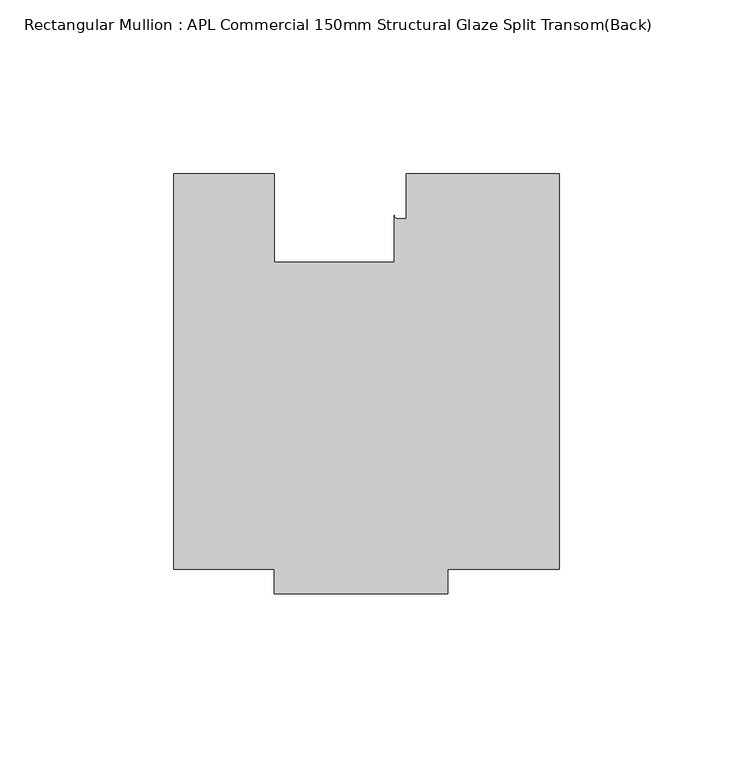
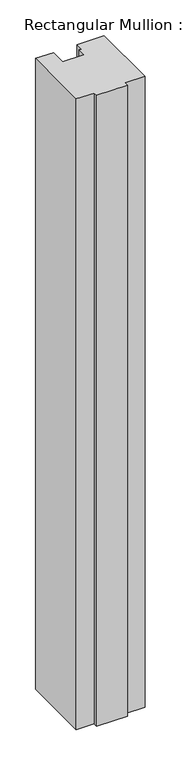
"""IFC4 building model written with IfcOpenShell, lengths in millimetres: member geometry, Rectangular Mullion : APL Commercial 150mm Structural Glaze Split Transom(Back)."""

from ifc_helpers import new_model, si_unit, point, frame, frame_2d, origin, place, context, project, spatial, polyline, circle_curve, trimmed, segment, composite_curve, outline, extrude, source, transform, mapped, element, save


def rectangular_mullion_apl_commercial_150mm_structural_glaze_c048a8e7(model_context):
    return source(origin(), model_context, "Body", "SweptSolid", [
        extrude(outline(composite_curve([segment(polyline([(54.0000029, -15.0004617), (54.0000029, -129.0003326), (22.0028846, -129.0003326), (22.0028846, -136.0003326), (-27.9971154, -136.0003326), (-27.9971154, -129.0002765), (-57.0000004, -129.0002765), (-57.0000004, -15.0001793), (-28.0000482, -15.0001793), (-28.0000482, -40.499932), (6.5000029, -40.499932), (6.5000029, -27.0002131)]), True, "CONTINUOUS"), segment(trimmed(circle_curve(frame_2d((7.5000029, -27.0002131)), 1.0), [point((6.5000029, -27.0002131))], [point((7.5000029, -28.0002131))], True, "CARTESIAN"), True, "CONTINUOUS"), segment(polyline([(7.5000029, -28.0002131), (10.0000029, -28.0002131), (10.0000029, -15.0004617), (54.0000029, -15.0004617)]), True, "CONTINUOUS")], self_intersect=False)), frame((0.0, 0.0, -1077.6385615), z_axis=(0.0, 0.0, 1.0), x_axis=(1.0, 0.0, 0.0)), (0.0, 0.0, 1.0), 1077.6385615),
    ])


if __name__ == "__main__":
    model = new_model("IFC4")
    model_context = context("Model", 3, world=origin())
    ifc_project = project(units=[si_unit("LENGTHUNIT", "METRE", prefix="MILLI")], contexts=[model_context])
    site = spatial("IfcSite", under=ifc_project)
    building = spatial("IfcBuilding", under=site)
    placement = place(None, origin())
    rectangular_mullion_apl_commercial_150mm_structural_glaze_shape = rectangular_mullion_apl_commercial_150mm_structural_glaze_c048a8e7(model_context)
    element("IfcMember", 1, ObjectType="Rectangular Mullion : APL Commercial 150mm Structural Glaze Split Transom(Back)", at=placement, inside=building, context=model_context, shape_type="MappedRepresentation", body=[
        mapped(rectangular_mullion_apl_commercial_150mm_structural_glaze_shape, transform((0.0, 0.0, 0.0), x_axis=(1.0, 0.0, 0.0), y_axis=(0.0, 1.0, 0.0), z_axis=(0.0, 0.0, 1.0))),
    ])
    save(model, "model.ifc")
